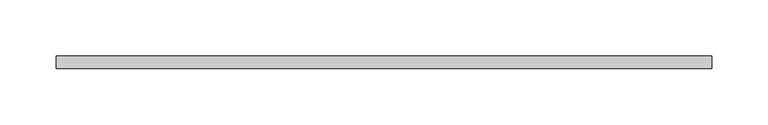
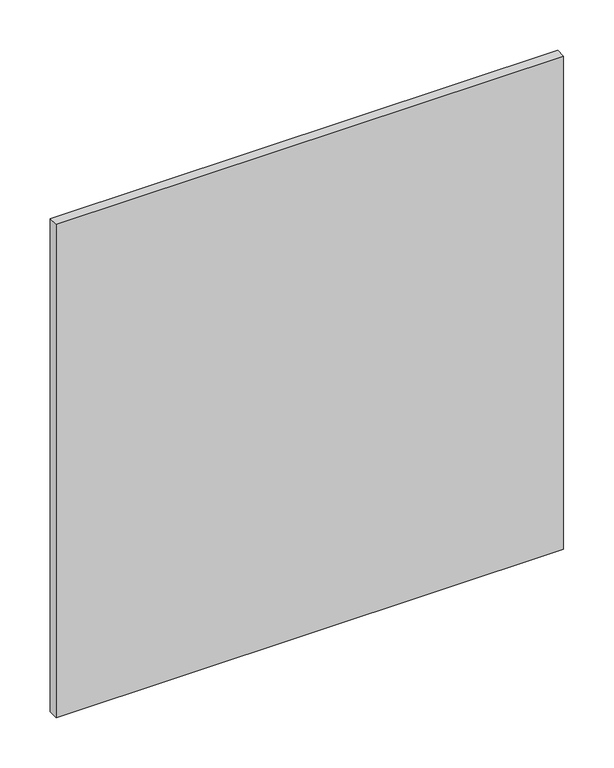
"""IFC4 building model written with IfcOpenShell, lengths in millimetres: proxy geometry."""

from ifc_helpers import new_model, si_unit, origin, origin_with_axes, place, context, project, spatial, polyline, outline, extrude, source, transform, mapped, element, save


def entourage_de6015b5(model_context):
    return source(origin(), model_context, "Body", "SweptSolid", [
        extrude(outline(polyline([(507.8015625, 3.175), (507.8015625, -7.9375), (-73.025, -7.9375), (-73.025, 3.175), (507.8015625, 3.175)])), origin_with_axes(), (0.0, 0.0, 1.0), 596.503125),
    ])


if __name__ == "__main__":
    model = new_model("IFC4")
    model_context = context("Model", 3, world=origin())
    ifc_project = project(units=[si_unit("LENGTHUNIT", "METRE", prefix="MILLI")], contexts=[model_context])
    site = spatial("IfcSite", under=ifc_project)
    building = spatial("IfcBuilding", under=site)
    placement = place(None, origin())
    entourage_shape = entourage_de6015b5(model_context)
    element("IfcBuildingElementProxy", 1, Name="Entourage", at=placement, inside=building, context=model_context, shape_type="MappedRepresentation", body=[
        mapped(entourage_shape, transform((0.0, 0.0, 0.0), x_axis=(1.0, 0.0, 0.0), y_axis=(0.0, 1.0, 0.0), z_axis=(0.0, 0.0, 1.0))),
    ])
    save(model, "model.ifc")
